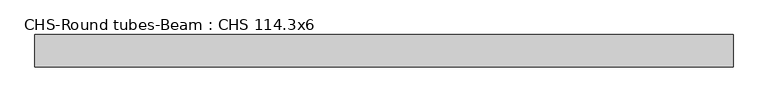
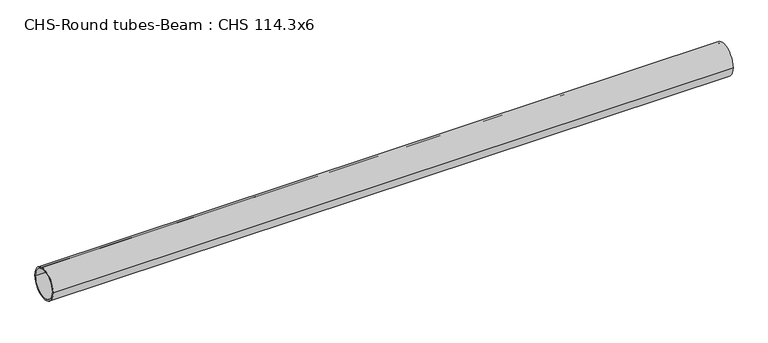
"""IFC4 building model written with IfcOpenShell, lengths in millimetres: beam geometry, CHS-Round tubes-Beam : CHS 114.3x6."""

from ifc_helpers import new_model, si_unit, point, frame, origin, origin_2d, place, context, project, spatial, circle_curve, trimmed, segment, composite_curve, outline, extrude, source, transform, mapped, element, save


def chs_round_tubes_beam_chs_114_3x6_4e2ab2ef(model_context):
    return source(origin(), model_context, "Body", "SweptSolid", [
        extrude(outline(composite_curve([segment(trimmed(circle_curve(origin_2d(), 57.15), [point((57.15, 0.0))], [point((-57.15, 0.0))], False, "CARTESIAN"), True, "CONTINUOUS"), segment(trimmed(circle_curve(origin_2d(), 57.15), [point((-57.15, 0.0))], [point((57.15, 0.0))], False, "CARTESIAN"), True, "CONTINUOUS")], self_intersect=False), holes=[composite_curve([segment(trimmed(circle_curve(origin_2d(), 51.15), [point((51.15, 0.0))], [point((-51.15, 0.0))], True, "CARTESIAN"), True, "CONTINUOUS"), segment(trimmed(circle_curve(origin_2d(), 51.15), [point((-51.15, 0.0))], [point((51.15, 0.0))], True, "CARTESIAN"), True, "CONTINUOUS")], self_intersect=False)]), frame((-1187.2785517, 0.0, 0.0), z_axis=(1.0, 0.0, 0.0), x_axis=(0.0, 1.0, 0.0)), (0.0, 0.0, 1.0), 2480.0793073),
    ])


if __name__ == "__main__":
    model = new_model("IFC4")
    model_context = context("Model", 3, world=origin())
    ifc_project = project(units=[si_unit("LENGTHUNIT", "METRE", prefix="MILLI")], contexts=[model_context])
    site = spatial("IfcSite", under=ifc_project)
    building = spatial("IfcBuilding", under=site)
    placement = place(None, origin())
    chs_round_tubes_beam_chs_114_3x6_shape = chs_round_tubes_beam_chs_114_3x6_4e2ab2ef(model_context)
    element("IfcBeam", 1, ObjectType="CHS-Round tubes-Beam : CHS 114.3x6", at=placement, inside=building, context=model_context, shape_type="MappedRepresentation", body=[
        mapped(chs_round_tubes_beam_chs_114_3x6_shape, transform((0.0, 0.0, 0.0), x_axis=(1.0, 0.0, 0.0), y_axis=(0.0, 1.0, 0.0), z_axis=(0.0, 0.0, 1.0))),
    ])
    save(model, "model.ifc")
